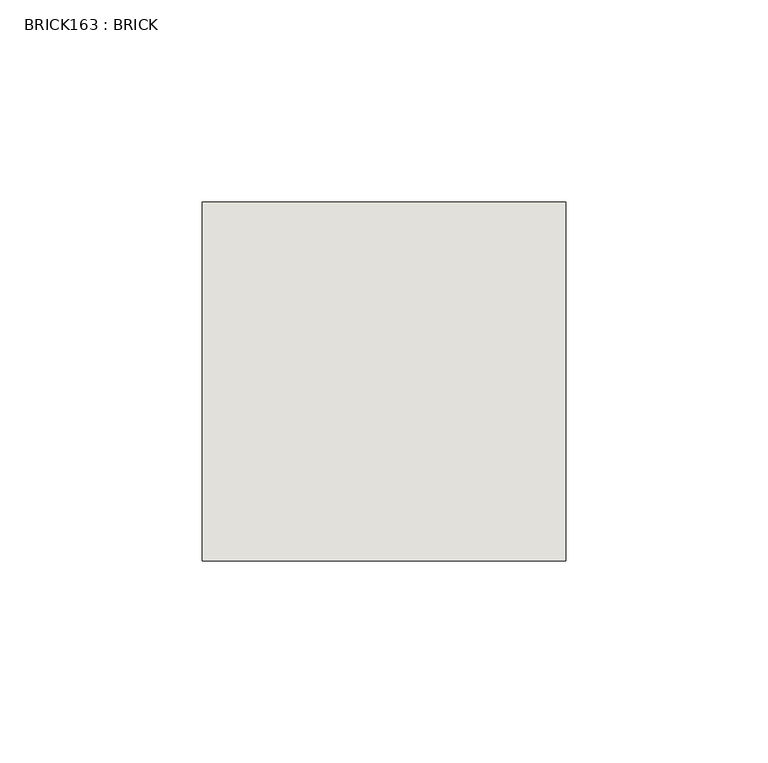
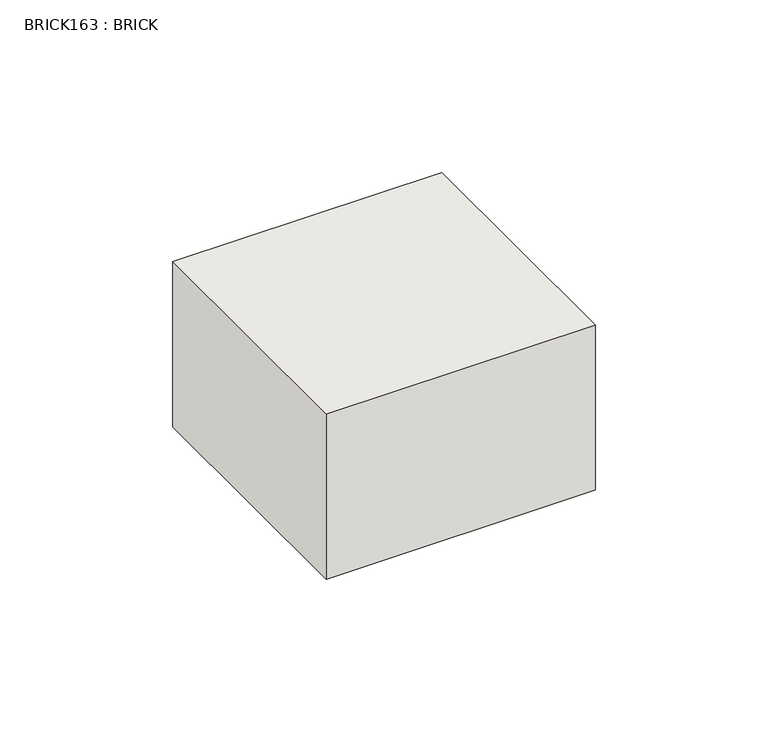
"""IFC4 building model written with IfcOpenShell, lengths in millimetres: wall geometry, BRICK163 : BRICK."""

from ifc_helpers import new_model, si_unit, frame, origin, place, context, project, spatial, polyline, outline, extrude, source, transform, mapped, element, save


def brick163_brick_a22f66ef(model_context):
    return source(origin(), model_context, "Body", "SweptSolid", [
        extrude(outline(polyline([(144.5425643, 3062.3923312), (234.5683761, 3062.3923312), (234.5683761, 2973.4923312), (144.5425643, 2973.4923312), (144.5425643, 3062.3923312)])), frame((0.0, 0.0, -43.4578125), z_axis=(0.0, 0.0, 1.0), x_axis=(1.0, 0.0, 0.0)), (0.0, 0.0, 1.0), 58.4398438),
    ])


if __name__ == "__main__":
    model = new_model("IFC4")
    model_context = context("Model", 3, world=origin())
    ifc_project = project(units=[si_unit("LENGTHUNIT", "METRE", prefix="MILLI")], contexts=[model_context])
    site = spatial("IfcSite", under=ifc_project)
    building = spatial("IfcBuilding", under=site)
    placement = place(None, origin())
    brick163_brick_shape = brick163_brick_a22f66ef(model_context)
    element("IfcWall", 1, ObjectType="BRICK163 : BRICK", at=placement, inside=building, context=model_context, shape_type="MappedRepresentation", body=[
        mapped(brick163_brick_shape, transform((0.0, 0.0, 0.0), x_axis=(1.0, 0.0, 0.0), y_axis=(0.0, 1.0, 0.0), z_axis=(0.0, 0.0, 1.0))),
    ])
    save(model, "model.ifc")
